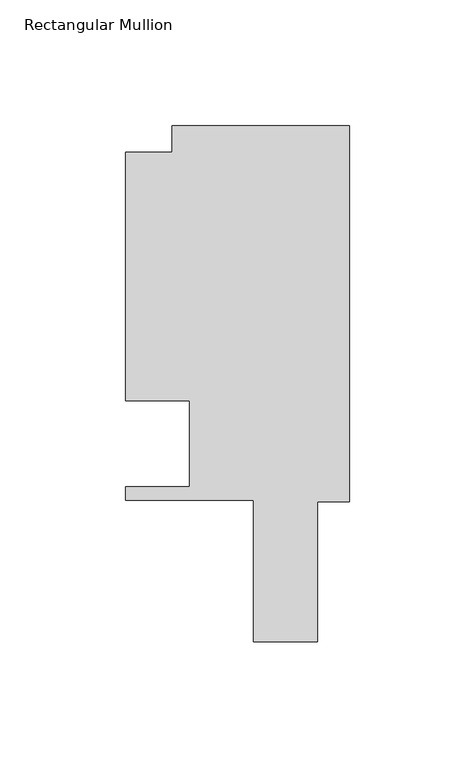
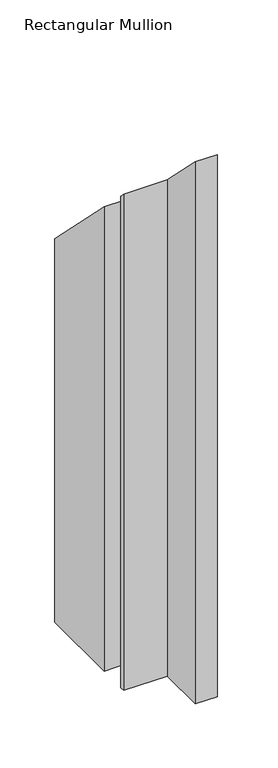
"""IFC4 building model written with IfcOpenShell, lengths in millimetres: member geometry, Rectangular Mullion."""

import ifcopenshell
import ifcopenshell.guid

model = None  # the IFC model being written
_history = None  # IfcOwnerHistory: only IFC2X3 demands one
_inside = {}  # id of a spatial element -> (the spatial element, [elements in it])
_under = {}  # id of a project, library or spatial element -> (it, [spatial elements below it])
_declared = {}  # id of a project -> (the project, [libraries it declares])
_typed = {}  # id of a type object -> (the type object, [elements of that type])
_made_of = {}  # id of a material, layer set ... -> (it, [elements and type objects made of it])


def new_model(schema):
    """Start an empty IFC model of exactly this schema.

    Asked for "IFC4X3", IfcOpenShell would pick the latest addendum, in which some entities
    have other attributes; the version numbers below select the first issue.
    IFC2X3 requires an IfcOwnerHistory on every rooted entity: one is made here for all.
    """
    global model, _history
    if schema == "IFC4X3":
        model = ifcopenshell.file(schema_version=(4, 3, 0, 0))
    else:
        model = ifcopenshell.file(schema=schema)
    _inside.clear()
    _under.clear()
    _declared.clear()
    _typed.clear()
    _made_of.clear()
    _history = None
    if model.schema == "IFC2X3":
        org = make("IfcOrganization", Name="unknown")
        user = make(
            "IfcPersonAndOrganization",
            ThePerson=make("IfcPerson", FamilyName="unknown"),
            TheOrganization=org,
        )
        app = make(
            "IfcApplication",
            ApplicationDeveloper=org,
            Version="unknown",
            ApplicationFullName="unknown",
            ApplicationIdentifier="unknown",
        )
        _history = make(
            "IfcOwnerHistory",
            OwningUser=user,
            OwningApplication=app,
            ChangeAction="ADDED",
            CreationDate=0,
        )
    return model


def make(cls, **values):
    """One entity of the class cls with the attributes given. An attribute that is None is left unset."""
    return model.create_entity(
        cls, **{name: value for name, value in values.items() if value is not None}
    )


def rooted(cls, **values):
    """An entity with a GlobalId (a new one), such as an element, a storey or a relation."""
    return make(cls, GlobalId=ifcopenshell.guid.new(), OwnerHistory=_history, **values)


def si_unit(unit_type, name, prefix=None):
    """IfcSIUnit, for example si_unit("LENGTHUNIT", "METRE", prefix="MILLI")."""
    return make("IfcSIUnit", UnitType=unit_type, Prefix=prefix, Name=name)


def assignment(units):
    """IfcUnitAssignment: the units of a project."""
    return None if units is None else make("IfcUnitAssignment", Units=units)


def point(xyz):
    """IfcCartesianPoint."""
    return None if xyz is None else make("IfcCartesianPoint", Coordinates=xyz)


def direction(xyz):
    """IfcDirection."""
    return None if xyz is None else make("IfcDirection", DirectionRatios=xyz)


def frame(location, z_axis=None, x_axis=None):
    """IfcAxis2Placement3D, a coordinate frame: its origin and axes. An axis left out is left unset."""
    return make(
        "IfcAxis2Placement3D",
        Location=point(location),
        Axis=direction(z_axis),
        RefDirection=direction(x_axis),
    )


def origin():
    """The frame at (0, 0, 0) with its axes left unset."""
    return frame((0.0, 0.0, 0.0))


def place(relative_to, where):
    """IfcLocalPlacement: puts the frame where relative to a parent placement (None: the world)."""
    return make(
        "IfcLocalPlacement", PlacementRelTo=relative_to, RelativePlacement=where
    )


def context(
    kind, dimensions, precision=None, world=None, true_north=None, identifier=None
):
    """IfcGeometricRepresentationContext, for example the 3D "Model" context."""
    return make(
        "IfcGeometricRepresentationContext",
        ContextIdentifier=identifier,
        ContextType=kind,
        CoordinateSpaceDimension=dimensions,
        Precision=precision,
        WorldCoordinateSystem=world,
        TrueNorth=true_north,
    )


def project(units=None, contexts=None):
    """IfcProject with its units and contexts."""
    return rooted(
        "IfcProject",
        Name="project",
        RepresentationContexts=contexts,
        UnitsInContext=assignment(units),
    )


def spatial(cls, under=None, at=None, **own):
    """A site, building, storey or space (cls), placed at a placement, below another one or the project."""
    s = rooted(cls, ObjectPlacement=at, **own)
    if under is not None:
        _under.setdefault(under.id(), (under, []))[1].append(s)
    return s


def faces_of(points, faces, orient=None, outer=None):
    """IfcFace entities. A face is a list of loops; a loop is a list of indices into points, from 0.

    orient and outer hold one flag for each loop. By default every Orientation is true, the
    first loop of a face is its IfcFaceOuterBound and the others are IfcFaceBound.
    """
    made = []
    for i, loops in enumerate(faces):
        bounds = []
        for j, loop in enumerate(loops):
            is_outer = j == 0 if outer is None else outer[i][j]
            bounds.append(
                make(
                    "IfcFaceOuterBound" if is_outer else "IfcFaceBound",
                    Bound=make("IfcPolyLoop", Polygon=[points[k] for k in loop]),
                    Orientation=True if orient is None else orient[i][j],
                )
            )
        made.append(make("IfcFace", Bounds=bounds))
    return made


def faceted_brep(points, faces, orient=None, outer=None, voids=None):
    """IfcFacetedBrep: a solid bounded by flat faces; with voids (closed shells), ...WithVoids."""
    shared = [point(p) for p in points]
    hull = make("IfcClosedShell", CfsFaces=faces_of(shared, faces, orient, outer))
    if voids is None:
        return make("IfcFacetedBrep", Outer=hull)
    return make(
        "IfcFacetedBrepWithVoids",
        Outer=hull,
        Voids=[
            make(cls, CfsFaces=faces_of(shared, fs, o, b)) for cls, fs, o, b in voids
        ],
    )


def shape(context_of_items, identifier, shape_type, items):
    """IfcShapeRepresentation: the items that make up one representation, for example the "Body"."""
    return make(
        "IfcShapeRepresentation",
        ContextOfItems=context_of_items,
        RepresentationIdentifier=identifier,
        RepresentationType=shape_type,
        Items=items,
    )


def source(mapping_origin, context_of_items, identifier, shape_type, items):
    """IfcRepresentationMap: a shape defined once, which mapped items show again and again."""
    return make(
        "IfcRepresentationMap",
        MappingOrigin=mapping_origin,
        MappedRepresentation=shape(context_of_items, identifier, shape_type, items),
    )


def transform(
    local_origin,
    x_axis=None,
    y_axis=None,
    z_axis=None,
    scale=None,
    scale2=None,
    scale3=None,
    uniform=True,
):
    """IfcCartesianTransformationOperator3D, or its non-uniform kind. x_axis, y_axis, z_axis: its Axis1, 2, 3."""
    if uniform:
        return make(
            "IfcCartesianTransformationOperator3D",
            Axis1=direction(x_axis),
            Axis2=direction(y_axis),
            LocalOrigin=point(local_origin),
            Scale=scale,
            Axis3=direction(z_axis),
        )
    return make(
        "IfcCartesianTransformationOperator3DnonUniform",
        Axis1=direction(x_axis),
        Axis2=direction(y_axis),
        LocalOrigin=point(local_origin),
        Scale=scale,
        Axis3=direction(z_axis),
        Scale2=scale2,
        Scale3=scale3,
    )


def mapped(mapping_source, mapping_target):
    """IfcMappedItem: shows the shape of a source again, moved by a transform."""
    return make(
        "IfcMappedItem", MappingSource=mapping_source, MappingTarget=mapping_target
    )


def made_of(thing, what):
    """Note that an element or type object is made of a material, layer set ...; save() writes the relation."""
    if what is not None:
        _made_of.setdefault(what.id(), (what, []))[1].append(thing)
    return thing


def element(
    cls,
    number,
    at=None,
    inside=None,
    cuts=None,
    type_object=None,
    material=None,
    context=None,
    identifier="Body",
    shape_type=None,
    held_by="IfcProductDefinitionShape",
    body=None,
    shapes=None,
    **own,
):
    """One element of the class cls, such as IfcWall. Its Tag is "e" and its number.

    at: its placement. inside: the storey or other place that contains it. cuts: it is an
    opening in that element (IfcRelVoidsElement). A single representation is given by context,
    identifier, shape_type and body (its items); several are given by shapes. held_by: the class
    of the entity that holds the representations. save() writes the other relations.
    """
    e = rooted(cls, Tag="e%d" % number, ObjectPlacement=at, **own)
    if body is not None:
        shapes = [shape(context, identifier, shape_type, body)]
    if shapes is not None:
        e.Representation = make(held_by, Representations=shapes)
    if inside is not None:
        _inside.setdefault(inside.id(), (inside, []))[1].append(e)
    if cuts is not None:
        rooted(
            "IfcRelVoidsElement", RelatingBuildingElement=cuts, RelatedOpeningElement=e
        )
    if type_object is not None:
        _typed.setdefault(type_object.id(), (type_object, []))[1].append(e)
    return made_of(e, material)


def aggregate(whole, parts):
    """IfcRelAggregates: a whole, such as a stair, and the parts it consists of."""
    return rooted("IfcRelAggregates", RelatingObject=whole, RelatedObjects=parts)


def save(model, path):
    """Write the relations noted so far, then the file.

    IfcRelAggregates (storeys below a building ...), IfcRelContainedInSpatialStructure (elements
    in a storey), IfcRelDefinesByType, IfcRelAssociatesMaterial and IfcRelDeclares: one each for
    every whole, place, type object, material and project.
    """
    for whole, parts in _under.values():
        aggregate(whole, parts)
    for where, things in _inside.values():
        rooted(
            "IfcRelContainedInSpatialStructure",
            RelatedElements=things,
            RelatingStructure=where,
        )
    for kind, things in _typed.values():
        rooted("IfcRelDefinesByType", RelatedObjects=things, RelatingType=kind)
    for what, things in _made_of.values():
        rooted("IfcRelAssociatesMaterial", RelatedObjects=things, RelatingMaterial=what)
    for by, libraries in _declared.values():
        rooted("IfcRelDeclares", RelatingContext=by, RelatedDefinitions=libraries)
    model.write(path)


def rectangular_mullion_adc12acb(model_context):
    return source(origin(), model_context, "Body", "Brep", [
        faceted_brep([(0.0, 148.737016, -609.6023813), (0.0, -0.6166672, -609.6023813), (-12.6909103, -0.6166672, -609.6023813), (-12.6909103, -56.3681563, -609.6023813), (-38.1000001, -56.3681563, -609.6023813), (-38.1000001, 0.020016, -609.6023813), (-88.9000002, 0.020016, -609.6023813), (-88.9000002, 5.3538437, -609.6023813), (-63.5000002, 5.3538437, -609.6023813), (-63.5000002, 39.3898437, -609.6023813), (-88.9000002, 39.3898438, -609.6023813), (-88.9000002, 138.3230199, -609.6023813), (-70.3834001, 138.3230199, -609.6023813), (-70.3834001, 148.737016, -609.6023813), (-70.3834001, 148.737016, -148.737016), (0.0, 148.737016, -148.737016), (-70.3834001, 138.3230199, -138.3230199), (-88.9000002, 138.3230199, -138.3230199), (-88.9000002, 39.3898438, -39.3898438), (-63.5000002, 39.3898438, -39.3898438), (-63.5000002, 5.3538437, -5.3538437), (-88.9000002, 5.3538437, -5.3538437), (-88.9000002, 0.020016, -0.020016), (-38.1000001, 0.020016, -0.020016), (-38.1000001, -56.3681563, 56.3681563), (-12.6909103, -56.3681563, 56.3681563), (-12.6909103, -0.6166672, 0.6166672), (0.0, -0.6166672, 0.6166672)], [[[0, 1, 2, 3, 4, 5, 6, 7, 8, 9, 10, 11, 12, 13]], [[14, 15, 0, 13]], [[16, 14, 13, 12]], [[17, 16, 12, 11]], [[18, 17, 11, 10]], [[19, 18, 10, 9]], [[20, 19, 9, 8]], [[21, 20, 8, 7]], [[22, 21, 7, 6]], [[23, 22, 6, 5]], [[24, 23, 5, 4]], [[25, 24, 4, 3]], [[26, 25, 3, 2]], [[27, 26, 2, 1]], [[15, 27, 1, 0]], [[15, 14, 16, 17, 18, 19, 20, 21, 22, 23, 24, 25, 26, 27]]]),
    ])


if __name__ == "__main__":
    model = new_model("IFC4")
    model_context = context("Model", 3, world=origin())
    ifc_project = project(units=[si_unit("LENGTHUNIT", "METRE", prefix="MILLI")], contexts=[model_context])
    site = spatial("IfcSite", under=ifc_project)
    building = spatial("IfcBuilding", under=site)
    placement = place(None, origin())
    rectangular_mullion_shape = rectangular_mullion_adc12acb(model_context)
    element("IfcMember", 1, ObjectType="Rectangular Mullion", at=placement, inside=building, context=model_context, shape_type="MappedRepresentation", body=[
        mapped(rectangular_mullion_shape, transform((0.0, 0.0, 0.0), x_axis=(1.0, 0.0, 0.0), y_axis=(0.0, 1.0, 0.0), z_axis=(0.0, 0.0, 1.0))),
    ])
    save(model, "model.ifc")
